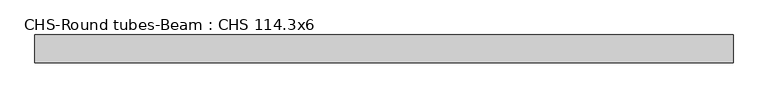
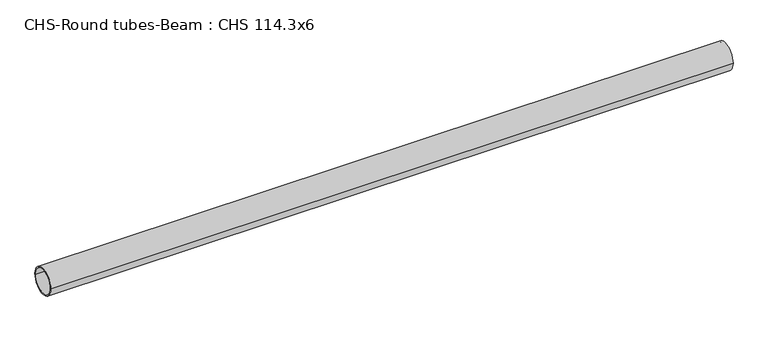
"""IFC4 building model written with IfcOpenShell, lengths in millimetres: beam geometry, CHS-Round tubes-Beam : CHS 114.3x6."""

from ifc_helpers import new_model, si_unit, point, frame, origin, origin_2d, place, context, project, spatial, circle_curve, trimmed, segment, composite_curve, outline, extrude, source, transform, mapped, element, save


def chs_round_tubes_beam_chs_114_3x6_ff150b32(model_context):
    return source(origin(), model_context, "Body", "SweptSolid", [
        extrude(outline(composite_curve([segment(trimmed(circle_curve(origin_2d(), 57.15), [point((57.15, 0.0))], [point((-57.15, 0.0))], False, "CARTESIAN"), True, "CONTINUOUS"), segment(trimmed(circle_curve(origin_2d(), 57.15), [point((-57.15, 0.0))], [point((57.15, 0.0))], False, "CARTESIAN"), True, "CONTINUOUS")], self_intersect=False), holes=[composite_curve([segment(trimmed(circle_curve(origin_2d(), 51.15), [point((51.15, 0.0))], [point((-51.15, 0.0))], True, "CARTESIAN"), True, "CONTINUOUS"), segment(trimmed(circle_curve(origin_2d(), 51.15), [point((-51.15, 0.0))], [point((51.15, 0.0))], True, "CARTESIAN"), True, "CONTINUOUS")], self_intersect=False)]), frame((-1413.0236543, 0.0, 0.0), z_axis=(1.0, 0.0, 0.0), x_axis=(0.0, 1.0, 0.0)), (0.0, 0.0, 1.0), 2855.2194569),
    ])


if __name__ == "__main__":
    model = new_model("IFC4")
    model_context = context("Model", 3, world=origin())
    ifc_project = project(units=[si_unit("LENGTHUNIT", "METRE", prefix="MILLI")], contexts=[model_context])
    site = spatial("IfcSite", under=ifc_project)
    building = spatial("IfcBuilding", under=site)
    placement = place(None, origin())
    chs_round_tubes_beam_chs_114_3x6_shape = chs_round_tubes_beam_chs_114_3x6_ff150b32(model_context)
    element("IfcBeam", 1, ObjectType="CHS-Round tubes-Beam : CHS 114.3x6", at=placement, inside=building, context=model_context, shape_type="MappedRepresentation", body=[
        mapped(chs_round_tubes_beam_chs_114_3x6_shape, transform((0.0, 0.0, 0.0), x_axis=(1.0, 0.0, 0.0), y_axis=(0.0, 1.0, 0.0), z_axis=(0.0, 0.0, 1.0))),
    ])
    save(model, "model.ifc")
